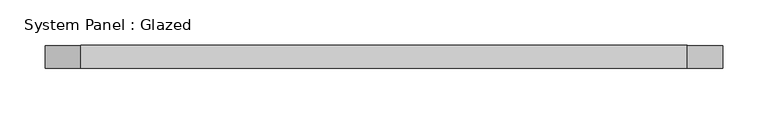
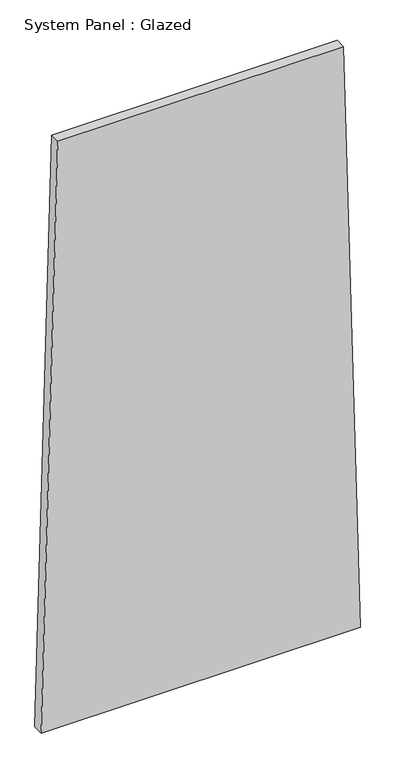
"""IFC4 building model written with IfcOpenShell, lengths in millimetres: plate geometry, System Panel : Glazed."""

from ifc_helpers import new_model, si_unit, frame, origin, place, context, project, spatial, polyline, outline, extrude, source, transform, mapped, element, save


def system_panel_glazed_54a17860(model_context):
    return source(origin(), model_context, "Body", "SweptSolid", [
        extrude(outline(polyline([(0.0, -373.496059), (0.0, 373.496059), (1449.4554448, 334.4361864), (1449.455616, -334.433355), (0.0, -373.496059)])), frame((0.0, -49.5, 0.0), z_axis=(0.0, 1.0, 0.0), x_axis=(0.0, 0.0, 1.0)), (0.0, 0.0, 1.0), 25.0),
    ])


if __name__ == "__main__":
    model = new_model("IFC4")
    model_context = context("Model", 3, world=origin())
    ifc_project = project(units=[si_unit("LENGTHUNIT", "METRE", prefix="MILLI")], contexts=[model_context])
    site = spatial("IfcSite", under=ifc_project)
    building = spatial("IfcBuilding", under=site)
    placement = place(None, origin())
    system_panel_glazed_shape = system_panel_glazed_54a17860(model_context)
    element("IfcPlate", 1, ObjectType="System Panel : Glazed", at=placement, inside=building, context=model_context, shape_type="MappedRepresentation", body=[
        mapped(system_panel_glazed_shape, transform((0.0, 0.0, 0.0), x_axis=(1.0, 0.0, 0.0), y_axis=(0.0, 1.0, 0.0), z_axis=(0.0, 0.0, 1.0))),
    ])
    save(model, "model.ifc")
